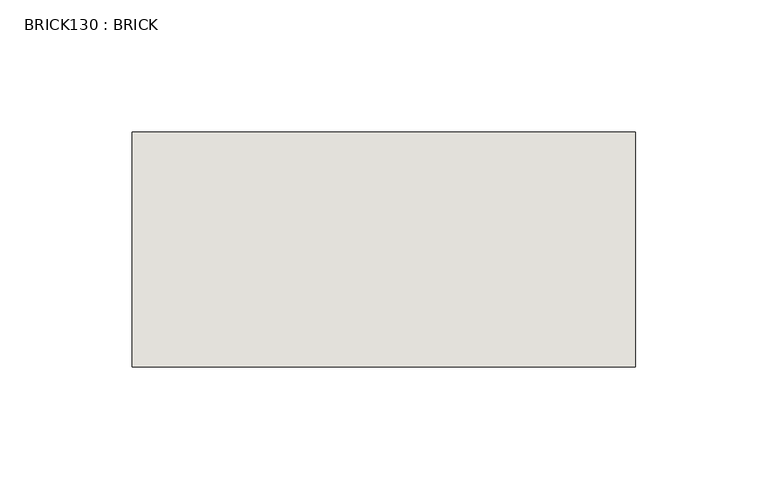
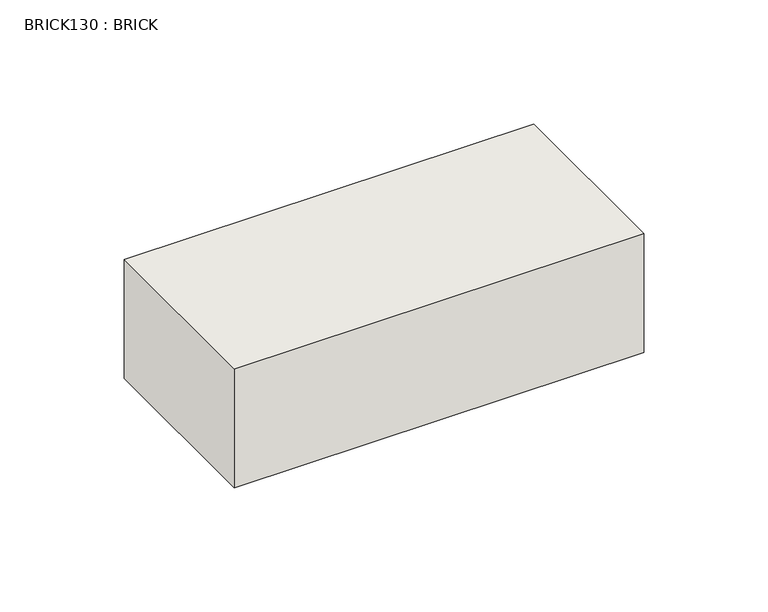
"""IFC4 building model written with IfcOpenShell, lengths in millimetres: wall geometry, BRICK130 : BRICK."""

from ifc_helpers import new_model, si_unit, frame, origin, place, context, project, spatial, polyline, outline, extrude, source, transform, mapped, element, save


def brick130_brick_15ad47fa(model_context):
    return source(origin(), model_context, "Body", "SweptSolid", [
        extrude(outline(polyline([(225.2530711, 2586.2274125), (415.7530711, 2586.2274125), (415.7530711, 2497.3274125), (225.2530711, 2497.3274125), (225.2530711, 2586.2274125)])), frame((0.0, 0.0, 74.3148438), z_axis=(0.0, 0.0, 1.0), x_axis=(1.0, 0.0, 0.0)), (0.0, 0.0, 1.0), 58.4398438),
    ])


if __name__ == "__main__":
    model = new_model("IFC4")
    model_context = context("Model", 3, world=origin())
    ifc_project = project(units=[si_unit("LENGTHUNIT", "METRE", prefix="MILLI")], contexts=[model_context])
    site = spatial("IfcSite", under=ifc_project)
    building = spatial("IfcBuilding", under=site)
    placement = place(None, origin())
    brick130_brick_shape = brick130_brick_15ad47fa(model_context)
    element("IfcWall", 1, ObjectType="BRICK130 : BRICK", at=placement, inside=building, context=model_context, shape_type="MappedRepresentation", body=[
        mapped(brick130_brick_shape, transform((0.0, 0.0, 0.0), x_axis=(1.0, 0.0, 0.0), y_axis=(0.0, 1.0, 0.0), z_axis=(0.0, 0.0, 1.0))),
    ])
    save(model, "model.ifc")
